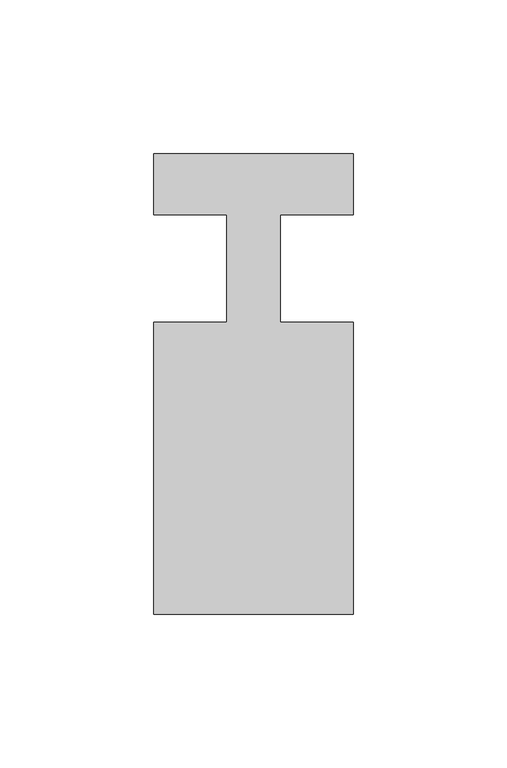
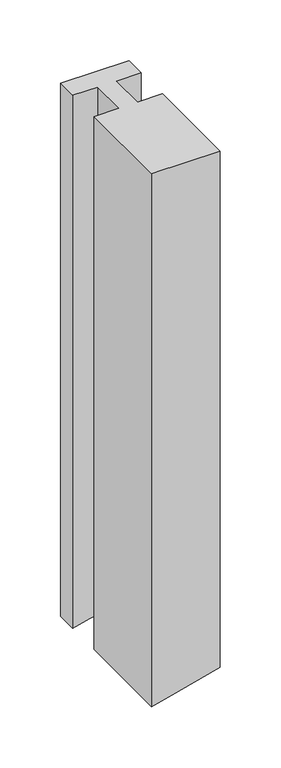
"""IFC4 building model written with IfcOpenShell, lengths in millimetres: member geometry."""

from ifc_helpers import new_model, si_unit, frame, origin, place, context, project, spatial, circle_curve, source, transform, mapped, element, save
from ifc_brep_helpers import plane_surface, cylinder_surface, advanced_brep


def member_f34d67cd(model_context):
    return source(origin(), model_context, "Body", "AdvancedBrep", [
        advanced_brep(
        [(-32.5, 37.0, 0.0), (-32.5, 17.0, 0.0), (-8.6875, 17.0, 0.0), (-8.6875, -18.0, 0.0), (-32.5, -18.0, 0.0), (-32.5, -113.0, 0.0), (32.5, -113.0, 0.0), (32.5, -18.0, 0.0), (8.6875, -18.0, 0.0), (8.6875, 17.0, 0.0), (32.5, 17.0, 0.0), (32.5, 37.0, 0.0), (-32.5, 37.0, -535.6708987), (-32.5, 17.0, -535.6708987), (-15.9867858, 17.0, -531.5547613), (-8.6875, 17.0, -529.6880993), (-8.6875, -18.0, -529.6880993), (-15.9867858, -18.0, -531.5547613), (-32.5, -18.0, -535.6708987), (-32.5, -113.0, -535.6708987), (-15.9867858, -113.0, -531.5547613), (32.5, -113.0, -518.6079148), (32.5, -18.0, -518.6079148), (8.6875, -18.0, -525.1276596), (8.6875, 17.0, -525.1276596), (32.5, 17.0, -518.6079148), (32.5, 37.0, -518.6079148), (-15.9867858, 37.0, -531.5547613)],
        [
            (0, 1),
            (1, 2),
            (2, 3),
            (3, 4),
            (4, 5),
            (5, 6),
            (6, 7),
            (7, 8),
            (8, 9),
            (9, 10),
            (10, 11),
            (11, 0),
            (0, 12),
            (12, 13),
            (13, 1),
            (13, 14, circle_curve(frame((-512.5, 17.0, 1425.1861711), z_axis=(0.0, -1.0, 0.0), x_axis=(0.2459505500666989, 0.0, -0.9692823772884186)), 2018.7522008)),
            (14, 15, circle_curve(frame((-512.5, 17.0, 1425.1861711), z_axis=(0.0, -1.0, 0.0), x_axis=(0.7295271536548332, 0.0, -0.6839518492410686)), 2018.7522008)),
            (15, 2),
            (15, 16),
            (16, 3),
            (16, 17, circle_curve(frame((-512.5, -18.0, 1425.1861711), z_axis=(0.0, 1.0, 0.0), x_axis=(0.7295271536548332, 0.0, -0.6839518492410686)), 2018.7522008)),
            (17, 18, circle_curve(frame((-512.5, -18.0, 1425.1861711), z_axis=(0.0, 1.0, 0.0), x_axis=(0.2459505500666989, 0.0, -0.9692823772884186)), 2018.7522008)),
            (18, 4),
            (18, 19),
            (19, 5),
            (19, 20, circle_curve(frame((-512.5, -113.0, 1425.1861711), z_axis=(0.0, -1.0, 0.0), x_axis=(0.2459505500666989, 0.0, -0.9692823772884186)), 2018.7522008)),
            (20, 21, circle_curve(frame((-512.5, -113.0, 1425.1861711), z_axis=(0.0, -1.0, 0.0), x_axis=(0.7295271536548332, 0.0, -0.6839518492410686)), 2018.7522008)),
            (21, 6),
            (21, 22),
            (22, 7),
            (22, 23, circle_curve(frame((-512.5, -18.0, 1425.1861711), z_axis=(0.0, 1.0, 0.0), x_axis=(0.7295271536548332, 0.0, -0.6839518492410686)), 2018.7522008)),
            (23, 8),
            (23, 24),
            (24, 9),
            (24, 25, circle_curve(frame((-512.5, 17.0, 1425.1861711), z_axis=(0.0, -1.0, 0.0), x_axis=(0.7295271536548332, 0.0, -0.6839518492410686)), 2018.7522008)),
            (25, 10),
            (25, 26),
            (26, 11),
            (26, 27, circle_curve(frame((-512.5, 37.0, 1425.1861711), z_axis=(0.0, 1.0, 0.0), x_axis=(0.7295271536548332, 0.0, -0.6839518492410686)), 2018.7522008)),
            (27, 12, circle_curve(frame((-512.5, 37.0, 1425.1861711), z_axis=(0.0, 1.0, 0.0), x_axis=(0.2459505500666989, 0.0, -0.9692823772884186)), 2018.7522008)),
            (17, 20),
            (14, 27),
        ],
        [
            plane_surface(frame((0.0, -117.5808233, 0.0), z_axis=(0.0, 0.0, 1.0), x_axis=(-1.0, 0.0, 0.0))),
            plane_surface(frame((-32.5, 37.0, 0.0), z_axis=(-1.0, 0.0, 0.0), x_axis=(0.0, 0.0, -1.0))),
            plane_surface(frame((-32.5, 17.0, 0.0), z_axis=(0.0, -1.0, 0.0), x_axis=(0.0, 0.0, -1.0))),
            plane_surface(frame((-8.6875, 17.0, 0.0), z_axis=(-1.0, 0.0, 0.0), x_axis=(0.0, 0.0, -1.0))),
            plane_surface(frame((-8.6875, -18.0, 0.0), z_axis=(0.0, 1.0, 0.0), x_axis=(0.0, 0.0, -1.0))),
            plane_surface(frame((-32.5, -18.0, 0.0), z_axis=(-1.0, 0.0, 0.0), x_axis=(0.0, 0.0, -1.0))),
            plane_surface(frame((-32.5, -113.0, 0.0), z_axis=(0.0, -1.0, 0.0), x_axis=(0.0, 0.0, -1.0))),
            plane_surface(frame((32.5, -113.0, 0.0), z_axis=(1.0, 0.0, 0.0), x_axis=(0.0, 0.0, -1.0))),
            plane_surface(frame((32.5, -18.0, 0.0), z_axis=(0.0, 1.0, 0.0), x_axis=(0.0, 0.0, -1.0))),
            plane_surface(frame((8.6875, -18.0, 0.0), z_axis=(1.0, 0.0, 0.0), x_axis=(0.0, 0.0, -1.0))),
            plane_surface(frame((8.6875, 17.0, 0.0), z_axis=(0.0, -1.0, 0.0), x_axis=(0.0, 0.0, -1.0))),
            plane_surface(frame((32.5, 17.0, 0.0), z_axis=(1.0, 0.0, 0.0), x_axis=(0.0, 0.0, -1.0))),
            plane_surface(frame((32.5, 37.0, 0.0), z_axis=(0.0, 1.0, 0.0), x_axis=(0.0, 0.0, -1.0))),
            cylinder_surface(frame((-512.5, 0.0, 1425.1861711), z_axis=(0.0, 1.0, 0.0), x_axis=(0.2459505500666989, 0.0, -0.9692823772884186)), 2018.7522008),
            cylinder_surface(frame((-512.5, 0.0, 1425.1861711), z_axis=(0.0, 1.0, 0.0), x_axis=(0.7295271536548332, 0.0, -0.6839518492410686)), 2018.7522008),
        ],
        [
            (0, [[1, 2, 3, 4, 5, 6, 7, 8, 9, 10, 11, 12]]),
            (1, [[-1, 13, 14, 15]]),
            (2, [[-2, -15, 16, 17, 18]]),
            (3, [[-3, -18, 19, 20]]),
            (4, [[-4, -20, 21, 22, 23]]),
            (5, [[-5, -23, 24, 25]]),
            (6, [[-6, -25, 26, 27, 28]]),
            (7, [[-7, -28, 29, 30]]),
            (8, [[-8, -30, 31, 32]]),
            (9, [[-9, -32, 33, 34]]),
            (10, [[-10, -34, 35, 36]]),
            (11, [[-11, -36, 37, 38]]),
            (12, [[-12, -38, 39, 40, -13]]),
            (13, [[-26, -24, -22, 41]]),
            (14, [[-39, -37, -35, -33, -31, -29, -27, -41, -21, -19, -17, 42]]),
            (13, [[-40, -42, -16, -14]]),
        ],
    ),
    ])


if __name__ == "__main__":
    model = new_model("IFC4")
    model_context = context("Model", 3, world=origin())
    ifc_project = project(units=[si_unit("LENGTHUNIT", "METRE", prefix="MILLI")], contexts=[model_context])
    site = spatial("IfcSite", under=ifc_project)
    building = spatial("IfcBuilding", under=site)
    placement = place(None, origin())
    member_shape = member_f34d67cd(model_context)
    element("IfcMember", 1, at=placement, inside=building, context=model_context, shape_type="MappedRepresentation", body=[
        mapped(member_shape, transform((0.0, 0.0, 0.0), x_axis=(1.0, 0.0, 0.0), y_axis=(0.0, 1.0, 0.0), z_axis=(0.0, 0.0, 1.0))),
    ])
    save(model, "model.ifc")
